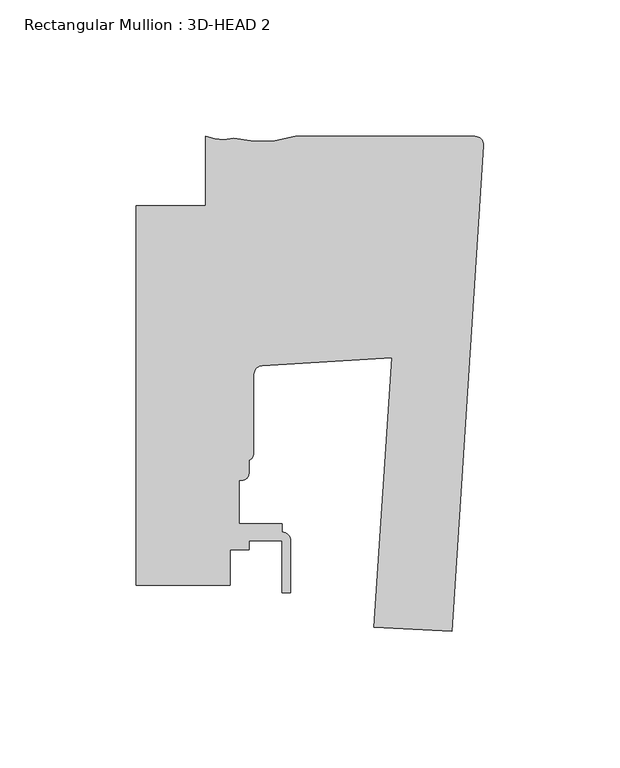
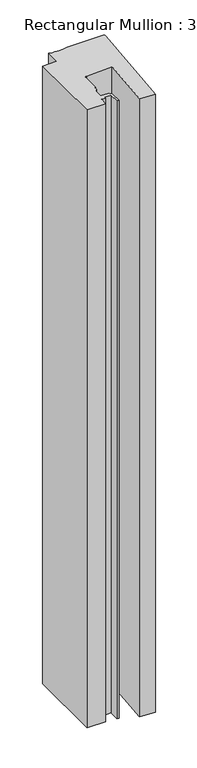
"""IFC4 building model written with IfcOpenShell, lengths in millimetres: member geometry, Rectangular Mullion : 3D-HEAD 2."""

import ifcopenshell
import ifcopenshell.guid

model = None  # the IFC model being written
_history = None  # IfcOwnerHistory: only IFC2X3 demands one
_inside = {}  # id of a spatial element -> (the spatial element, [elements in it])
_under = {}  # id of a project, library or spatial element -> (it, [spatial elements below it])
_declared = {}  # id of a project -> (the project, [libraries it declares])
_typed = {}  # id of a type object -> (the type object, [elements of that type])
_made_of = {}  # id of a material, layer set ... -> (it, [elements and type objects made of it])


def new_model(schema):
    """Start an empty IFC model of exactly this schema.

    Asked for "IFC4X3", IfcOpenShell would pick the latest addendum, in which some entities
    have other attributes; the version numbers below select the first issue.
    IFC2X3 requires an IfcOwnerHistory on every rooted entity: one is made here for all.
    """
    global model, _history
    if schema == "IFC4X3":
        model = ifcopenshell.file(schema_version=(4, 3, 0, 0))
    else:
        model = ifcopenshell.file(schema=schema)
    _inside.clear()
    _under.clear()
    _declared.clear()
    _typed.clear()
    _made_of.clear()
    _history = None
    if model.schema == "IFC2X3":
        org = make("IfcOrganization", Name="unknown")
        user = make(
            "IfcPersonAndOrganization",
            ThePerson=make("IfcPerson", FamilyName="unknown"),
            TheOrganization=org,
        )
        app = make(
            "IfcApplication",
            ApplicationDeveloper=org,
            Version="unknown",
            ApplicationFullName="unknown",
            ApplicationIdentifier="unknown",
        )
        _history = make(
            "IfcOwnerHistory",
            OwningUser=user,
            OwningApplication=app,
            ChangeAction="ADDED",
            CreationDate=0,
        )
    return model


def make(cls, **values):
    """One entity of the class cls with the attributes given. An attribute that is None is left unset."""
    return model.create_entity(
        cls, **{name: value for name, value in values.items() if value is not None}
    )


def rooted(cls, **values):
    """An entity with a GlobalId (a new one), such as an element, a storey or a relation."""
    return make(cls, GlobalId=ifcopenshell.guid.new(), OwnerHistory=_history, **values)


def si_unit(unit_type, name, prefix=None):
    """IfcSIUnit, for example si_unit("LENGTHUNIT", "METRE", prefix="MILLI")."""
    return make("IfcSIUnit", UnitType=unit_type, Prefix=prefix, Name=name)


def assignment(units):
    """IfcUnitAssignment: the units of a project."""
    return None if units is None else make("IfcUnitAssignment", Units=units)


def point(xyz):
    """IfcCartesianPoint."""
    return None if xyz is None else make("IfcCartesianPoint", Coordinates=xyz)


def direction(xyz):
    """IfcDirection."""
    return None if xyz is None else make("IfcDirection", DirectionRatios=xyz)


def frame(location, z_axis=None, x_axis=None):
    """IfcAxis2Placement3D, a coordinate frame: its origin and axes. An axis left out is left unset."""
    return make(
        "IfcAxis2Placement3D",
        Location=point(location),
        Axis=direction(z_axis),
        RefDirection=direction(x_axis),
    )


def frame_2d(location, x_axis=None):
    """IfcAxis2Placement2D, a coordinate frame in the plane: its origin and x axis."""
    return make(
        "IfcAxis2Placement2D", Location=point(location), RefDirection=direction(x_axis)
    )


def origin():
    """The frame at (0, 0, 0) with its axes left unset."""
    return frame((0.0, 0.0, 0.0))


def place(relative_to, where):
    """IfcLocalPlacement: puts the frame where relative to a parent placement (None: the world)."""
    return make(
        "IfcLocalPlacement", PlacementRelTo=relative_to, RelativePlacement=where
    )


def context(
    kind, dimensions, precision=None, world=None, true_north=None, identifier=None
):
    """IfcGeometricRepresentationContext, for example the 3D "Model" context."""
    return make(
        "IfcGeometricRepresentationContext",
        ContextIdentifier=identifier,
        ContextType=kind,
        CoordinateSpaceDimension=dimensions,
        Precision=precision,
        WorldCoordinateSystem=world,
        TrueNorth=true_north,
    )


def project(units=None, contexts=None):
    """IfcProject with its units and contexts."""
    return rooted(
        "IfcProject",
        Name="project",
        RepresentationContexts=contexts,
        UnitsInContext=assignment(units),
    )


def spatial(cls, under=None, at=None, **own):
    """A site, building, storey or space (cls), placed at a placement, below another one or the project."""
    s = rooted(cls, ObjectPlacement=at, **own)
    if under is not None:
        _under.setdefault(under.id(), (under, []))[1].append(s)
    return s


def polyline(points):
    """IfcPolyline through the points."""
    return make("IfcPolyline", Points=[point(p) for p in points])


def circle_curve(where, radius):
    """IfcCircle in the frame where."""
    return make("IfcCircle", Position=where, Radius=radius)


def trimmed(basis, trim1, trim2, sense, master):
    """IfcTrimmedCurve: the piece of a basis curve between two trims."""
    return make(
        "IfcTrimmedCurve",
        BasisCurve=basis,
        Trim1=trim1,
        Trim2=trim2,
        SenseAgreement=sense,
        MasterRepresentation=master,
    )


def segment(curve, same_sense, transition):
    """IfcCompositeCurveSegment."""
    return make(
        "IfcCompositeCurveSegment",
        Transition=transition,
        SameSense=same_sense,
        ParentCurve=curve,
    )


def composite_curve(segments, self_intersect=None):
    """IfcCompositeCurve: segments joined end to end."""
    return make("IfcCompositeCurve", Segments=segments, SelfIntersect=self_intersect)


def outline(outer, holes=None, kind="AREA"):
    """IfcArbitraryClosedProfileDef: a profile drawn as a closed curve; with holes, ...WithVoids."""
    if holes is None:
        return make("IfcArbitraryClosedProfileDef", ProfileType=kind, OuterCurve=outer)
    return make(
        "IfcArbitraryProfileDefWithVoids",
        ProfileType=kind,
        OuterCurve=outer,
        InnerCurves=holes,
    )


def extrude(swept, where, along, depth):
    """IfcExtrudedAreaSolid: the profile swept, set in the frame where, extruded along a direction by depth."""
    return make(
        "IfcExtrudedAreaSolid",
        SweptArea=swept,
        Position=where,
        ExtrudedDirection=direction(along),
        Depth=depth,
    )


def shape(context_of_items, identifier, shape_type, items):
    """IfcShapeRepresentation: the items that make up one representation, for example the "Body"."""
    return make(
        "IfcShapeRepresentation",
        ContextOfItems=context_of_items,
        RepresentationIdentifier=identifier,
        RepresentationType=shape_type,
        Items=items,
    )


def source(mapping_origin, context_of_items, identifier, shape_type, items):
    """IfcRepresentationMap: a shape defined once, which mapped items show again and again."""
    return make(
        "IfcRepresentationMap",
        MappingOrigin=mapping_origin,
        MappedRepresentation=shape(context_of_items, identifier, shape_type, items),
    )


def transform(
    local_origin,
    x_axis=None,
    y_axis=None,
    z_axis=None,
    scale=None,
    scale2=None,
    scale3=None,
    uniform=True,
):
    """IfcCartesianTransformationOperator3D, or its non-uniform kind. x_axis, y_axis, z_axis: its Axis1, 2, 3."""
    if uniform:
        return make(
            "IfcCartesianTransformationOperator3D",
            Axis1=direction(x_axis),
            Axis2=direction(y_axis),
            LocalOrigin=point(local_origin),
            Scale=scale,
            Axis3=direction(z_axis),
        )
    return make(
        "IfcCartesianTransformationOperator3DnonUniform",
        Axis1=direction(x_axis),
        Axis2=direction(y_axis),
        LocalOrigin=point(local_origin),
        Scale=scale,
        Axis3=direction(z_axis),
        Scale2=scale2,
        Scale3=scale3,
    )


def mapped(mapping_source, mapping_target):
    """IfcMappedItem: shows the shape of a source again, moved by a transform."""
    return make(
        "IfcMappedItem", MappingSource=mapping_source, MappingTarget=mapping_target
    )


def made_of(thing, what):
    """Note that an element or type object is made of a material, layer set ...; save() writes the relation."""
    if what is not None:
        _made_of.setdefault(what.id(), (what, []))[1].append(thing)
    return thing


def element(
    cls,
    number,
    at=None,
    inside=None,
    cuts=None,
    type_object=None,
    material=None,
    context=None,
    identifier="Body",
    shape_type=None,
    held_by="IfcProductDefinitionShape",
    body=None,
    shapes=None,
    **own,
):
    """One element of the class cls, such as IfcWall. Its Tag is "e" and its number.

    at: its placement. inside: the storey or other place that contains it. cuts: it is an
    opening in that element (IfcRelVoidsElement). A single representation is given by context,
    identifier, shape_type and body (its items); several are given by shapes. held_by: the class
    of the entity that holds the representations. save() writes the other relations.
    """
    e = rooted(cls, Tag="e%d" % number, ObjectPlacement=at, **own)
    if body is not None:
        shapes = [shape(context, identifier, shape_type, body)]
    if shapes is not None:
        e.Representation = make(held_by, Representations=shapes)
    if inside is not None:
        _inside.setdefault(inside.id(), (inside, []))[1].append(e)
    if cuts is not None:
        rooted(
            "IfcRelVoidsElement", RelatingBuildingElement=cuts, RelatedOpeningElement=e
        )
    if type_object is not None:
        _typed.setdefault(type_object.id(), (type_object, []))[1].append(e)
    return made_of(e, material)


def aggregate(whole, parts):
    """IfcRelAggregates: a whole, such as a stair, and the parts it consists of."""
    return rooted("IfcRelAggregates", RelatingObject=whole, RelatedObjects=parts)


def save(model, path):
    """Write the relations noted so far, then the file.

    IfcRelAggregates (storeys below a building ...), IfcRelContainedInSpatialStructure (elements
    in a storey), IfcRelDefinesByType, IfcRelAssociatesMaterial and IfcRelDeclares: one each for
    every whole, place, type object, material and project.
    """
    for whole, parts in _under.values():
        aggregate(whole, parts)
    for where, things in _inside.values():
        rooted(
            "IfcRelContainedInSpatialStructure",
            RelatedElements=things,
            RelatingStructure=where,
        )
    for kind, things in _typed.values():
        rooted("IfcRelDefinesByType", RelatedObjects=things, RelatingType=kind)
    for what, things in _made_of.values():
        rooted("IfcRelAssociatesMaterial", RelatedObjects=things, RelatingMaterial=what)
    for by, libraries in _declared.values():
        rooted("IfcRelDeclares", RelatingContext=by, RelatedDefinitions=libraries)
    model.write(path)


def rectangular_mullion_3d_head_2_0b90c949(model_context):
    return source(origin(), model_context, "Body", "SweptSolid", [
        extrude(outline(composite_curve([segment(polyline([(-11.5383887, -99.1788373), (-40.1652502, -97.6785671), (-33.647817, 0.9953546), (-81.3507626, -1.8478232)]), True, "CONTINUOUS"), segment(trimmed(circle_curve(frame_2d((-81.1875559, -5.0186257)), 3.175), [point((-81.3507626, -1.8478232))], [point((-84.3625559, -5.0186257))], True, "CARTESIAN"), True, "CONTINUOUS"), segment(polyline([(-84.3625559, -5.0186257), (-84.3625559, -33.730113)]), True, "CONTINUOUS"), segment(trimmed(circle_curve(frame_2d((-87.5375559, -33.730113)), 3.175), [point((-84.3625559, -33.730113))], [point((-86.1405562, -36.581256))], False, "CARTESIAN"), True, "CONTINUOUS"), segment(polyline([(-86.1405562, -36.581256), (-86.1405562, -41.3122009)]), True, "CONTINUOUS"), segment(trimmed(circle_curve(frame_2d((-88.6805561, -41.3122009)), 2.5399999), [point((-86.1405562, -41.3122009))], [point((-88.6805561, -43.8522008))], False, "CARTESIAN"), True, "CONTINUOUS"), segment(polyline([(-88.6805561, -43.8522008), (-89.8235559, -43.8522008), (-89.8235559, -59.7272008), (-73.9485559, -59.7272008), (-73.9485559, -62.9022182)]), True, "CONTINUOUS"), segment(trimmed(circle_curve(frame_2d((-73.9380354, -66.0772008)), 3.175), [point((-73.9485559, -62.9022182))], [point((-70.7630354, -66.0772008))], False, "CARTESIAN"), True, "CONTINUOUS"), segment(polyline([(-70.7630354, -66.0772008), (-70.7630354, -85.1272008), (-73.9380354, -85.1272008), (-73.9380354, -66.0772008), (-86.1405562, -66.0772008), (-86.1405562, -69.2522008), (-92.9985559, -69.2522008), (-92.9985559, -82.296), (-127.4896668, -82.296), (-127.4896668, 56.8955475), (-102.08978, 56.8960646), (-102.08978, 82.296)]), True, "CONTINUOUS"), segment(trimmed(circle_curve(frame_2d((-95.8348398, 97.8290799)), 16.7451739), [point((-102.08978, 82.296))], [point((-91.8088828, 81.5750798))], True, "CARTESIAN"), True, "CONTINUOUS"), segment(trimmed(circle_curve(frame_2d((-81.6714448, 123.3111219)), 42.9495617), [point((-91.8088828, 81.5750798))], [point((-68.9268525, 82.296))], True, "CARTESIAN"), True, "CONTINUOUS"), segment(polyline([(-68.9268525, 82.296), (-3.175, 82.296)]), True, "CONTINUOUS"), segment(trimmed(circle_curve(frame_2d((-3.175, 79.121)), 3.175), [point((-3.175, 82.296))], [point((-0.006635, 78.9158462))], False, "CARTESIAN"), True, "CONTINUOUS"), segment(polyline([(-0.006635, 78.9158462), (-11.5383887, -99.1788373)]), True, "CONTINUOUS")], self_intersect=False)), frame((0.0, 0.0, -1191.3195312), z_axis=(0.0, 0.0, 1.0), x_axis=(1.0, 0.0, 0.0)), (0.0, 0.0, 1.0), 1191.3195312),
    ])


if __name__ == "__main__":
    model = new_model("IFC4")
    model_context = context("Model", 3, world=origin())
    ifc_project = project(units=[si_unit("LENGTHUNIT", "METRE", prefix="MILLI")], contexts=[model_context])
    site = spatial("IfcSite", under=ifc_project)
    building = spatial("IfcBuilding", under=site)
    placement = place(None, origin())
    rectangular_mullion_3d_head_2_shape = rectangular_mullion_3d_head_2_0b90c949(model_context)
    element("IfcMember", 1, ObjectType="Rectangular Mullion : 3D-HEAD 2", at=placement, inside=building, context=model_context, shape_type="MappedRepresentation", body=[
        mapped(rectangular_mullion_3d_head_2_shape, transform((0.0, 0.0, 0.0), x_axis=(1.0, 0.0, 0.0), y_axis=(0.0, 1.0, 0.0), z_axis=(0.0, 0.0, 1.0))),
    ])
    save(model, "model.ifc")
